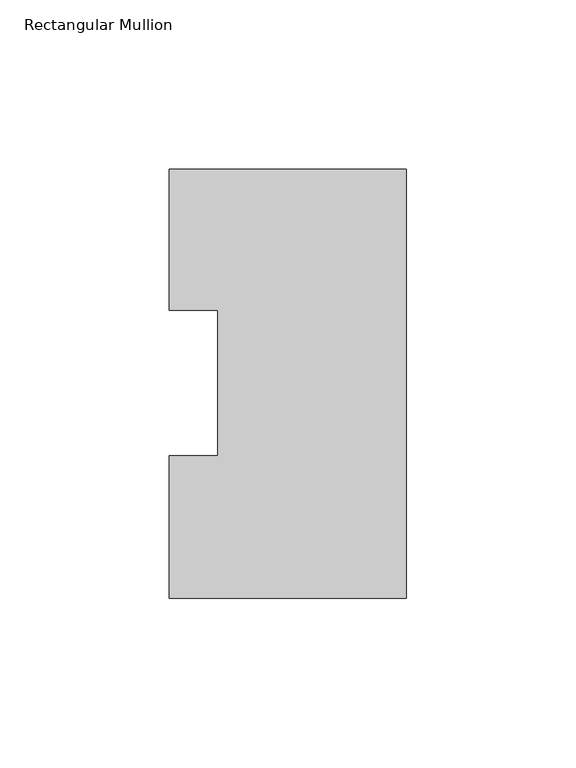
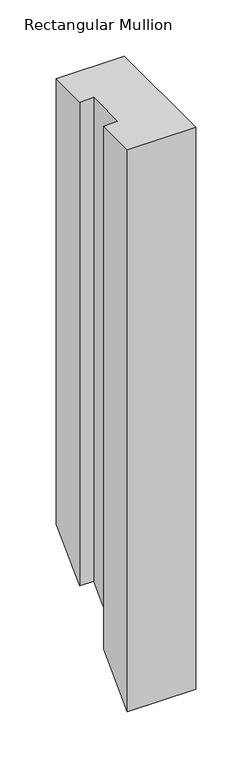
"""IFC4 building model written with IfcOpenShell, lengths in millimetres: member geometry, Rectangular Mullion."""

from ifc_helpers import new_model, si_unit, origin, place, context, project, spatial, faceted_brep, source, transform, mapped, element, save


def rectangular_mullion_539af584(model_context):
    return source(origin(), model_context, "Body", "Brep", [
        faceted_brep([(-69.85, 0.04445, 0.0), (0.0, 0.04445, 0.0), (0.0, 126.53645, 0.0), (-69.85, 126.53645, 0.0), (-69.85, 84.93125, 0.0), (-55.5625, 84.93125, 0.0), (-55.5625, 42.08145, 0.0), (-69.85, 42.08145, 0.0), (-69.85, 0.04445, -609.55555), (0.0, 0.04445, -609.55555), (0.0, 126.53645, -483.06355), (-69.85, 126.53645, -483.06355), (-69.85, 84.93125, -524.66875), (-55.5625, 84.93125, -524.66875), (-55.5625, 42.08145, -567.51855), (-69.85, 42.08145, -567.51855)], [[[0, 1, 2, 3, 4, 5, 6, 7]], [[1, 0, 8, 9]], [[2, 1, 9, 10]], [[3, 2, 10, 11]], [[4, 3, 11, 12]], [[5, 4, 12, 13]], [[6, 5, 13, 14]], [[7, 6, 14, 15]], [[0, 7, 15, 8]], [[8, 15, 14, 13, 12, 11, 10, 9]]]),
    ])


if __name__ == "__main__":
    model = new_model("IFC4")
    model_context = context("Model", 3, world=origin())
    ifc_project = project(units=[si_unit("LENGTHUNIT", "METRE", prefix="MILLI")], contexts=[model_context])
    site = spatial("IfcSite", under=ifc_project)
    building = spatial("IfcBuilding", under=site)
    placement = place(None, origin())
    rectangular_mullion_shape = rectangular_mullion_539af584(model_context)
    element("IfcMember", 1, ObjectType="Rectangular Mullion", at=placement, inside=building, context=model_context, shape_type="MappedRepresentation", body=[
        mapped(rectangular_mullion_shape, transform((0.0, 0.0, 0.0), x_axis=(1.0, 0.0, 0.0), y_axis=(0.0, 1.0, 0.0), z_axis=(0.0, 0.0, 1.0))),
    ])
    save(model, "model.ifc")
